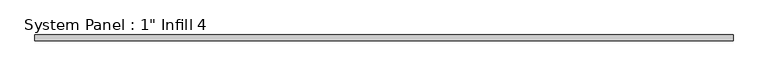
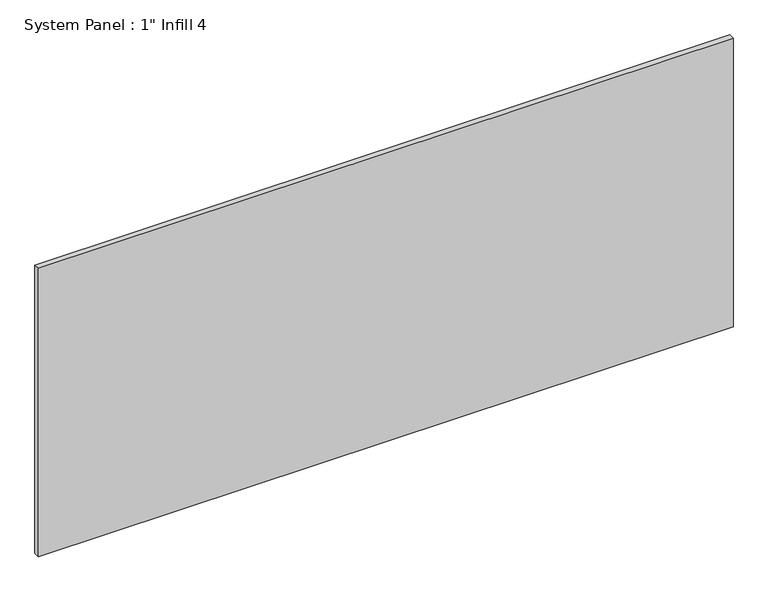
"""IFC4 building model written with IfcOpenShell, lengths in millimetres: plate geometry."""

from ifc_helpers import new_model, si_unit, origin, origin_with_axes, place, context, project, spatial, polyline, outline, extrude, source, transform, mapped, element, save


def plate_417a044c(model_context):
    return source(origin(), model_context, "Body", "SweptSolid", [
        extrude(outline(polyline([(1524.0, -6.35), (-1524.0, -6.35), (-1524.0, 19.05), (1524.0, 19.05), (1524.0, -6.35)])), origin_with_axes(), (0.0, 0.0, 1.0), 1337.1826995),
    ])


if __name__ == "__main__":
    model = new_model("IFC4")
    model_context = context("Model", 3, world=origin())
    ifc_project = project(units=[si_unit("LENGTHUNIT", "METRE", prefix="MILLI")], contexts=[model_context])
    site = spatial("IfcSite", under=ifc_project)
    building = spatial("IfcBuilding", under=site)
    placement = place(None, origin())
    plate_shape = plate_417a044c(model_context)
    element("IfcPlate", 1, ObjectType="System Panel : 1\" Infill 4", at=placement, inside=building, context=model_context, shape_type="MappedRepresentation", body=[
        mapped(plate_shape, transform((0.0, 0.0, 0.0), x_axis=(1.0, 0.0, 0.0), y_axis=(0.0, 1.0, 0.0), z_axis=(0.0, 0.0, 1.0))),
    ])
    save(model, "model.ifc")
